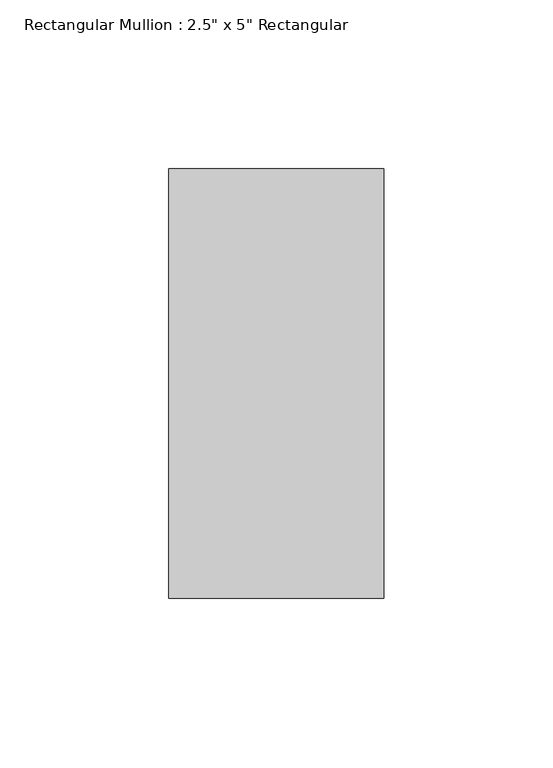
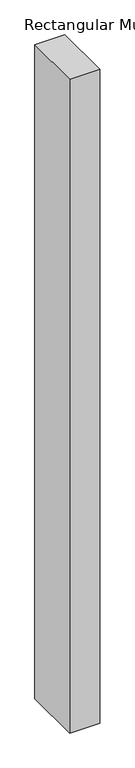
"""IFC4 building model written with IfcOpenShell, lengths in millimetres: member geometry."""

import ifcopenshell
import ifcopenshell.guid

model = None  # the IFC model being written
_history = None  # IfcOwnerHistory: only IFC2X3 demands one
_inside = {}  # id of a spatial element -> (the spatial element, [elements in it])
_under = {}  # id of a project, library or spatial element -> (it, [spatial elements below it])
_declared = {}  # id of a project -> (the project, [libraries it declares])
_typed = {}  # id of a type object -> (the type object, [elements of that type])
_made_of = {}  # id of a material, layer set ... -> (it, [elements and type objects made of it])


def new_model(schema):
    """Start an empty IFC model of exactly this schema.

    Asked for "IFC4X3", IfcOpenShell would pick the latest addendum, in which some entities
    have other attributes; the version numbers below select the first issue.
    IFC2X3 requires an IfcOwnerHistory on every rooted entity: one is made here for all.
    """
    global model, _history
    if schema == "IFC4X3":
        model = ifcopenshell.file(schema_version=(4, 3, 0, 0))
    else:
        model = ifcopenshell.file(schema=schema)
    _inside.clear()
    _under.clear()
    _declared.clear()
    _typed.clear()
    _made_of.clear()
    _history = None
    if model.schema == "IFC2X3":
        org = make("IfcOrganization", Name="unknown")
        user = make(
            "IfcPersonAndOrganization",
            ThePerson=make("IfcPerson", FamilyName="unknown"),
            TheOrganization=org,
        )
        app = make(
            "IfcApplication",
            ApplicationDeveloper=org,
            Version="unknown",
            ApplicationFullName="unknown",
            ApplicationIdentifier="unknown",
        )
        _history = make(
            "IfcOwnerHistory",
            OwningUser=user,
            OwningApplication=app,
            ChangeAction="ADDED",
            CreationDate=0,
        )
    return model


def make(cls, **values):
    """One entity of the class cls with the attributes given. An attribute that is None is left unset."""
    return model.create_entity(
        cls, **{name: value for name, value in values.items() if value is not None}
    )


def rooted(cls, **values):
    """An entity with a GlobalId (a new one), such as an element, a storey or a relation."""
    return make(cls, GlobalId=ifcopenshell.guid.new(), OwnerHistory=_history, **values)


def si_unit(unit_type, name, prefix=None):
    """IfcSIUnit, for example si_unit("LENGTHUNIT", "METRE", prefix="MILLI")."""
    return make("IfcSIUnit", UnitType=unit_type, Prefix=prefix, Name=name)


def assignment(units):
    """IfcUnitAssignment: the units of a project."""
    return None if units is None else make("IfcUnitAssignment", Units=units)


def point(xyz):
    """IfcCartesianPoint."""
    return None if xyz is None else make("IfcCartesianPoint", Coordinates=xyz)


def direction(xyz):
    """IfcDirection."""
    return None if xyz is None else make("IfcDirection", DirectionRatios=xyz)


def frame(location, z_axis=None, x_axis=None):
    """IfcAxis2Placement3D, a coordinate frame: its origin and axes. An axis left out is left unset."""
    return make(
        "IfcAxis2Placement3D",
        Location=point(location),
        Axis=direction(z_axis),
        RefDirection=direction(x_axis),
    )


def origin():
    """The frame at (0, 0, 0) with its axes left unset."""
    return frame((0.0, 0.0, 0.0))


def place(relative_to, where):
    """IfcLocalPlacement: puts the frame where relative to a parent placement (None: the world)."""
    return make(
        "IfcLocalPlacement", PlacementRelTo=relative_to, RelativePlacement=where
    )


def context(
    kind, dimensions, precision=None, world=None, true_north=None, identifier=None
):
    """IfcGeometricRepresentationContext, for example the 3D "Model" context."""
    return make(
        "IfcGeometricRepresentationContext",
        ContextIdentifier=identifier,
        ContextType=kind,
        CoordinateSpaceDimension=dimensions,
        Precision=precision,
        WorldCoordinateSystem=world,
        TrueNorth=true_north,
    )


def project(units=None, contexts=None):
    """IfcProject with its units and contexts."""
    return rooted(
        "IfcProject",
        Name="project",
        RepresentationContexts=contexts,
        UnitsInContext=assignment(units),
    )


def spatial(cls, under=None, at=None, **own):
    """A site, building, storey or space (cls), placed at a placement, below another one or the project."""
    s = rooted(cls, ObjectPlacement=at, **own)
    if under is not None:
        _under.setdefault(under.id(), (under, []))[1].append(s)
    return s


def polyline(points):
    """IfcPolyline through the points."""
    return make("IfcPolyline", Points=[point(p) for p in points])


def outline(outer, holes=None, kind="AREA"):
    """IfcArbitraryClosedProfileDef: a profile drawn as a closed curve; with holes, ...WithVoids."""
    if holes is None:
        return make("IfcArbitraryClosedProfileDef", ProfileType=kind, OuterCurve=outer)
    return make(
        "IfcArbitraryProfileDefWithVoids",
        ProfileType=kind,
        OuterCurve=outer,
        InnerCurves=holes,
    )


def extrude(swept, where, along, depth):
    """IfcExtrudedAreaSolid: the profile swept, set in the frame where, extruded along a direction by depth."""
    return make(
        "IfcExtrudedAreaSolid",
        SweptArea=swept,
        Position=where,
        ExtrudedDirection=direction(along),
        Depth=depth,
    )


def shape(context_of_items, identifier, shape_type, items):
    """IfcShapeRepresentation: the items that make up one representation, for example the "Body"."""
    return make(
        "IfcShapeRepresentation",
        ContextOfItems=context_of_items,
        RepresentationIdentifier=identifier,
        RepresentationType=shape_type,
        Items=items,
    )


def source(mapping_origin, context_of_items, identifier, shape_type, items):
    """IfcRepresentationMap: a shape defined once, which mapped items show again and again."""
    return make(
        "IfcRepresentationMap",
        MappingOrigin=mapping_origin,
        MappedRepresentation=shape(context_of_items, identifier, shape_type, items),
    )


def transform(
    local_origin,
    x_axis=None,
    y_axis=None,
    z_axis=None,
    scale=None,
    scale2=None,
    scale3=None,
    uniform=True,
):
    """IfcCartesianTransformationOperator3D, or its non-uniform kind. x_axis, y_axis, z_axis: its Axis1, 2, 3."""
    if uniform:
        return make(
            "IfcCartesianTransformationOperator3D",
            Axis1=direction(x_axis),
            Axis2=direction(y_axis),
            LocalOrigin=point(local_origin),
            Scale=scale,
            Axis3=direction(z_axis),
        )
    return make(
        "IfcCartesianTransformationOperator3DnonUniform",
        Axis1=direction(x_axis),
        Axis2=direction(y_axis),
        LocalOrigin=point(local_origin),
        Scale=scale,
        Axis3=direction(z_axis),
        Scale2=scale2,
        Scale3=scale3,
    )


def mapped(mapping_source, mapping_target):
    """IfcMappedItem: shows the shape of a source again, moved by a transform."""
    return make(
        "IfcMappedItem", MappingSource=mapping_source, MappingTarget=mapping_target
    )


def made_of(thing, what):
    """Note that an element or type object is made of a material, layer set ...; save() writes the relation."""
    if what is not None:
        _made_of.setdefault(what.id(), (what, []))[1].append(thing)
    return thing


def element(
    cls,
    number,
    at=None,
    inside=None,
    cuts=None,
    type_object=None,
    material=None,
    context=None,
    identifier="Body",
    shape_type=None,
    held_by="IfcProductDefinitionShape",
    body=None,
    shapes=None,
    **own,
):
    """One element of the class cls, such as IfcWall. Its Tag is "e" and its number.

    at: its placement. inside: the storey or other place that contains it. cuts: it is an
    opening in that element (IfcRelVoidsElement). A single representation is given by context,
    identifier, shape_type and body (its items); several are given by shapes. held_by: the class
    of the entity that holds the representations. save() writes the other relations.
    """
    e = rooted(cls, Tag="e%d" % number, ObjectPlacement=at, **own)
    if body is not None:
        shapes = [shape(context, identifier, shape_type, body)]
    if shapes is not None:
        e.Representation = make(held_by, Representations=shapes)
    if inside is not None:
        _inside.setdefault(inside.id(), (inside, []))[1].append(e)
    if cuts is not None:
        rooted(
            "IfcRelVoidsElement", RelatingBuildingElement=cuts, RelatedOpeningElement=e
        )
    if type_object is not None:
        _typed.setdefault(type_object.id(), (type_object, []))[1].append(e)
    return made_of(e, material)


def aggregate(whole, parts):
    """IfcRelAggregates: a whole, such as a stair, and the parts it consists of."""
    return rooted("IfcRelAggregates", RelatingObject=whole, RelatedObjects=parts)


def save(model, path):
    """Write the relations noted so far, then the file.

    IfcRelAggregates (storeys below a building ...), IfcRelContainedInSpatialStructure (elements
    in a storey), IfcRelDefinesByType, IfcRelAssociatesMaterial and IfcRelDeclares: one each for
    every whole, place, type object, material and project.
    """
    for whole, parts in _under.values():
        aggregate(whole, parts)
    for where, things in _inside.values():
        rooted(
            "IfcRelContainedInSpatialStructure",
            RelatedElements=things,
            RelatingStructure=where,
        )
    for kind, things in _typed.values():
        rooted("IfcRelDefinesByType", RelatedObjects=things, RelatingType=kind)
    for what, things in _made_of.values():
        rooted("IfcRelAssociatesMaterial", RelatedObjects=things, RelatingMaterial=what)
    for by, libraries in _declared.values():
        rooted("IfcRelDeclares", RelatingContext=by, RelatedDefinitions=libraries)
    model.write(path)


def member_f182018d(model_context):
    return source(origin(), model_context, "Body", "SweptSolid", [
        extrude(outline(polyline([(31.75, 63.5), (31.75, -63.5), (-31.75, -63.5), (-31.75, 63.5), (31.75, 63.5)])), frame((0.0, 0.0, -1460.5), z_axis=(0.0, 0.0, 1.0), x_axis=(1.0, 0.0, 0.0)), (0.0, 0.0, 1.0), 1460.5),
    ])


if __name__ == "__main__":
    model = new_model("IFC4")
    model_context = context("Model", 3, world=origin())
    ifc_project = project(units=[si_unit("LENGTHUNIT", "METRE", prefix="MILLI")], contexts=[model_context])
    site = spatial("IfcSite", under=ifc_project)
    building = spatial("IfcBuilding", under=site)
    placement = place(None, origin())
    member_shape = member_f182018d(model_context)
    element("IfcMember", 1, ObjectType="Rectangular Mullion : 2.5\" x 5\" Rectangular", at=placement, inside=building, context=model_context, shape_type="MappedRepresentation", body=[
        mapped(member_shape, transform((0.0, 0.0, 0.0), x_axis=(1.0, 0.0, 0.0), y_axis=(0.0, 1.0, 0.0), z_axis=(0.0, 0.0, 1.0))),
    ])
    save(model, "model.ifc")
